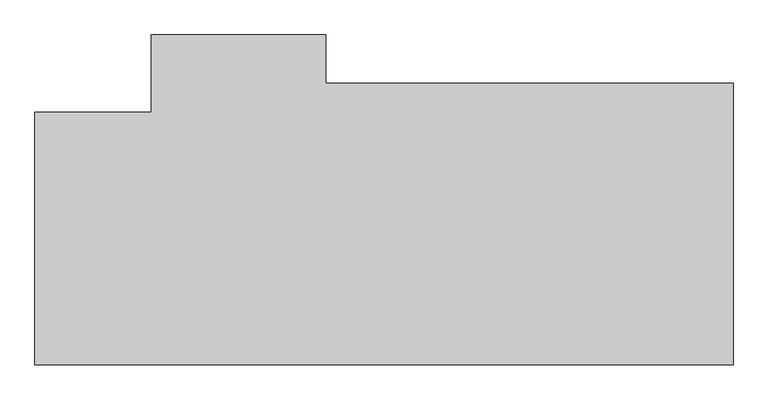
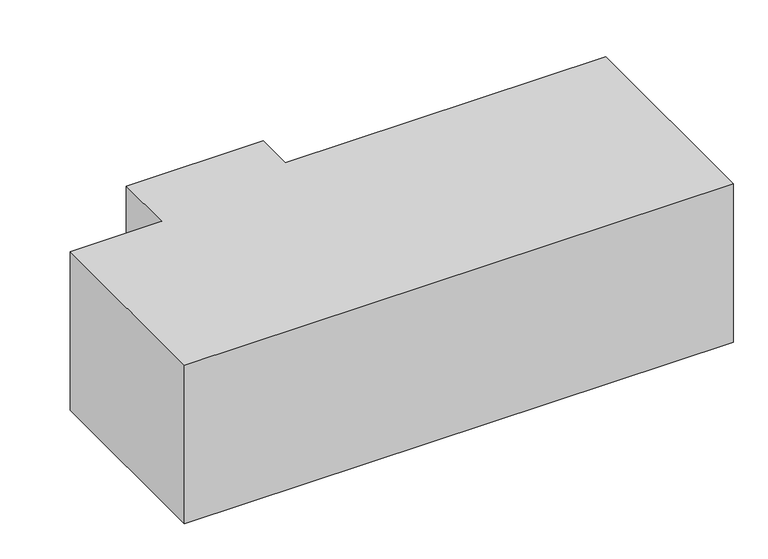
"""IFC4 building model written with IfcOpenShell, lengths in millimetres: proxy geometry."""

from ifc_helpers import new_model, si_unit, origin, origin_with_axes, place, context, project, spatial, polyline, outline, extrude, source, transform, mapped, element, save


def generic_models_6e7a77f1(model_context):
    return source(origin(), model_context, "Body", "SweptSolid", [
        extrude(outline(polyline([(600.0, 1300.0), (600.0, 1700.0), (1500.0, 1700.0), (1500.0, 1450.0), (3600.0, 1450.0), (3600.0, 0.0), (0.0, 0.0), (0.0, 1300.0), (600.0, 1300.0)])), origin_with_axes(), (0.0, 0.0, 1.0), 1100.0),
    ])


if __name__ == "__main__":
    model = new_model("IFC4")
    model_context = context("Model", 3, world=origin())
    ifc_project = project(units=[si_unit("LENGTHUNIT", "METRE", prefix="MILLI")], contexts=[model_context])
    site = spatial("IfcSite", under=ifc_project)
    building = spatial("IfcBuilding", under=site)
    placement = place(None, origin())
    generic_models_shape = generic_models_6e7a77f1(model_context)
    element("IfcBuildingElementProxy", 1, Name="Generic Models", at=placement, inside=building, context=model_context, shape_type="MappedRepresentation", body=[
        mapped(generic_models_shape, transform((0.0, 0.0, 0.0), x_axis=(1.0, 0.0, 0.0), y_axis=(0.0, 1.0, 0.0), z_axis=(0.0, 0.0, 1.0))),
    ])
    save(model, "model.ifc")
